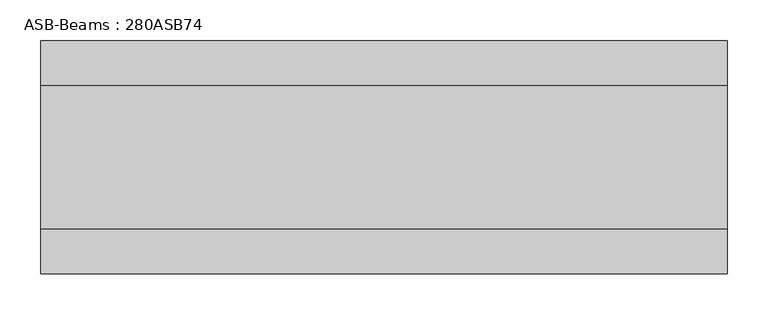
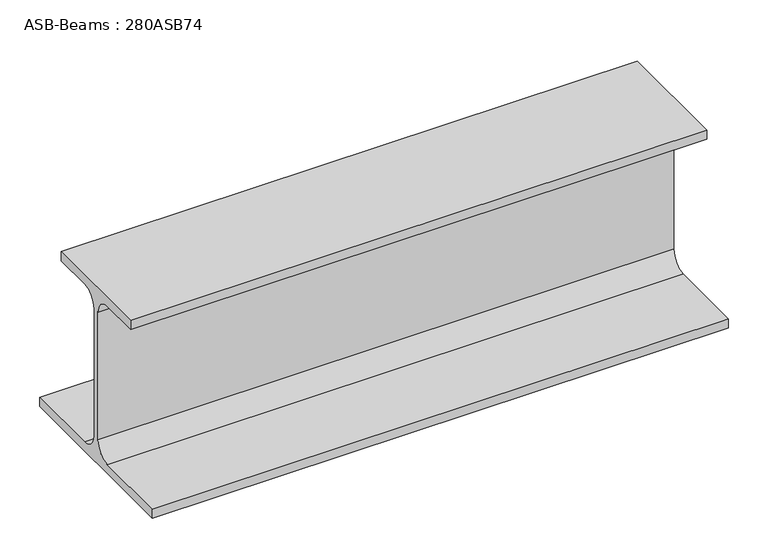
"""IFC4 building model written with IfcOpenShell, lengths in millimetres: beam geometry, ASB-Beams : 280ASB74."""

import ifcopenshell
import ifcopenshell.guid

model = None  # the IFC model being written
_history = None  # IfcOwnerHistory: only IFC2X3 demands one
_inside = {}  # id of a spatial element -> (the spatial element, [elements in it])
_under = {}  # id of a project, library or spatial element -> (it, [spatial elements below it])
_declared = {}  # id of a project -> (the project, [libraries it declares])
_typed = {}  # id of a type object -> (the type object, [elements of that type])
_made_of = {}  # id of a material, layer set ... -> (it, [elements and type objects made of it])


def new_model(schema):
    """Start an empty IFC model of exactly this schema.

    Asked for "IFC4X3", IfcOpenShell would pick the latest addendum, in which some entities
    have other attributes; the version numbers below select the first issue.
    IFC2X3 requires an IfcOwnerHistory on every rooted entity: one is made here for all.
    """
    global model, _history
    if schema == "IFC4X3":
        model = ifcopenshell.file(schema_version=(4, 3, 0, 0))
    else:
        model = ifcopenshell.file(schema=schema)
    _inside.clear()
    _under.clear()
    _declared.clear()
    _typed.clear()
    _made_of.clear()
    _history = None
    if model.schema == "IFC2X3":
        org = make("IfcOrganization", Name="unknown")
        user = make(
            "IfcPersonAndOrganization",
            ThePerson=make("IfcPerson", FamilyName="unknown"),
            TheOrganization=org,
        )
        app = make(
            "IfcApplication",
            ApplicationDeveloper=org,
            Version="unknown",
            ApplicationFullName="unknown",
            ApplicationIdentifier="unknown",
        )
        _history = make(
            "IfcOwnerHistory",
            OwningUser=user,
            OwningApplication=app,
            ChangeAction="ADDED",
            CreationDate=0,
        )
    return model


def make(cls, **values):
    """One entity of the class cls with the attributes given. An attribute that is None is left unset."""
    return model.create_entity(
        cls, **{name: value for name, value in values.items() if value is not None}
    )


def rooted(cls, **values):
    """An entity with a GlobalId (a new one), such as an element, a storey or a relation."""
    return make(cls, GlobalId=ifcopenshell.guid.new(), OwnerHistory=_history, **values)


def si_unit(unit_type, name, prefix=None):
    """IfcSIUnit, for example si_unit("LENGTHUNIT", "METRE", prefix="MILLI")."""
    return make("IfcSIUnit", UnitType=unit_type, Prefix=prefix, Name=name)


def assignment(units):
    """IfcUnitAssignment: the units of a project."""
    return None if units is None else make("IfcUnitAssignment", Units=units)


def point(xyz):
    """IfcCartesianPoint."""
    return None if xyz is None else make("IfcCartesianPoint", Coordinates=xyz)


def direction(xyz):
    """IfcDirection."""
    return None if xyz is None else make("IfcDirection", DirectionRatios=xyz)


def frame(location, z_axis=None, x_axis=None):
    """IfcAxis2Placement3D, a coordinate frame: its origin and axes. An axis left out is left unset."""
    return make(
        "IfcAxis2Placement3D",
        Location=point(location),
        Axis=direction(z_axis),
        RefDirection=direction(x_axis),
    )


def frame_2d(location, x_axis=None):
    """IfcAxis2Placement2D, a coordinate frame in the plane: its origin and x axis."""
    return make(
        "IfcAxis2Placement2D", Location=point(location), RefDirection=direction(x_axis)
    )


def origin():
    """The frame at (0, 0, 0) with its axes left unset."""
    return frame((0.0, 0.0, 0.0))


def place(relative_to, where):
    """IfcLocalPlacement: puts the frame where relative to a parent placement (None: the world)."""
    return make(
        "IfcLocalPlacement", PlacementRelTo=relative_to, RelativePlacement=where
    )


def context(
    kind, dimensions, precision=None, world=None, true_north=None, identifier=None
):
    """IfcGeometricRepresentationContext, for example the 3D "Model" context."""
    return make(
        "IfcGeometricRepresentationContext",
        ContextIdentifier=identifier,
        ContextType=kind,
        CoordinateSpaceDimension=dimensions,
        Precision=precision,
        WorldCoordinateSystem=world,
        TrueNorth=true_north,
    )


def project(units=None, contexts=None):
    """IfcProject with its units and contexts."""
    return rooted(
        "IfcProject",
        Name="project",
        RepresentationContexts=contexts,
        UnitsInContext=assignment(units),
    )


def spatial(cls, under=None, at=None, **own):
    """A site, building, storey or space (cls), placed at a placement, below another one or the project."""
    s = rooted(cls, ObjectPlacement=at, **own)
    if under is not None:
        _under.setdefault(under.id(), (under, []))[1].append(s)
    return s


def polyline(points):
    """IfcPolyline through the points."""
    return make("IfcPolyline", Points=[point(p) for p in points])


def circle_curve(where, radius):
    """IfcCircle in the frame where."""
    return make("IfcCircle", Position=where, Radius=radius)


def trimmed(basis, trim1, trim2, sense, master):
    """IfcTrimmedCurve: the piece of a basis curve between two trims."""
    return make(
        "IfcTrimmedCurve",
        BasisCurve=basis,
        Trim1=trim1,
        Trim2=trim2,
        SenseAgreement=sense,
        MasterRepresentation=master,
    )


def segment(curve, same_sense, transition):
    """IfcCompositeCurveSegment."""
    return make(
        "IfcCompositeCurveSegment",
        Transition=transition,
        SameSense=same_sense,
        ParentCurve=curve,
    )


def composite_curve(segments, self_intersect=None):
    """IfcCompositeCurve: segments joined end to end."""
    return make("IfcCompositeCurve", Segments=segments, SelfIntersect=self_intersect)


def outline(outer, holes=None, kind="AREA"):
    """IfcArbitraryClosedProfileDef: a profile drawn as a closed curve; with holes, ...WithVoids."""
    if holes is None:
        return make("IfcArbitraryClosedProfileDef", ProfileType=kind, OuterCurve=outer)
    return make(
        "IfcArbitraryProfileDefWithVoids",
        ProfileType=kind,
        OuterCurve=outer,
        InnerCurves=holes,
    )


def extrude(swept, where, along, depth):
    """IfcExtrudedAreaSolid: the profile swept, set in the frame where, extruded along a direction by depth."""
    return make(
        "IfcExtrudedAreaSolid",
        SweptArea=swept,
        Position=where,
        ExtrudedDirection=direction(along),
        Depth=depth,
    )


def shape(context_of_items, identifier, shape_type, items):
    """IfcShapeRepresentation: the items that make up one representation, for example the "Body"."""
    return make(
        "IfcShapeRepresentation",
        ContextOfItems=context_of_items,
        RepresentationIdentifier=identifier,
        RepresentationType=shape_type,
        Items=items,
    )


def source(mapping_origin, context_of_items, identifier, shape_type, items):
    """IfcRepresentationMap: a shape defined once, which mapped items show again and again."""
    return make(
        "IfcRepresentationMap",
        MappingOrigin=mapping_origin,
        MappedRepresentation=shape(context_of_items, identifier, shape_type, items),
    )


def transform(
    local_origin,
    x_axis=None,
    y_axis=None,
    z_axis=None,
    scale=None,
    scale2=None,
    scale3=None,
    uniform=True,
):
    """IfcCartesianTransformationOperator3D, or its non-uniform kind. x_axis, y_axis, z_axis: its Axis1, 2, 3."""
    if uniform:
        return make(
            "IfcCartesianTransformationOperator3D",
            Axis1=direction(x_axis),
            Axis2=direction(y_axis),
            LocalOrigin=point(local_origin),
            Scale=scale,
            Axis3=direction(z_axis),
        )
    return make(
        "IfcCartesianTransformationOperator3DnonUniform",
        Axis1=direction(x_axis),
        Axis2=direction(y_axis),
        LocalOrigin=point(local_origin),
        Scale=scale,
        Axis3=direction(z_axis),
        Scale2=scale2,
        Scale3=scale3,
    )


def mapped(mapping_source, mapping_target):
    """IfcMappedItem: shows the shape of a source again, moved by a transform."""
    return make(
        "IfcMappedItem", MappingSource=mapping_source, MappingTarget=mapping_target
    )


def made_of(thing, what):
    """Note that an element or type object is made of a material, layer set ...; save() writes the relation."""
    if what is not None:
        _made_of.setdefault(what.id(), (what, []))[1].append(thing)
    return thing


def element(
    cls,
    number,
    at=None,
    inside=None,
    cuts=None,
    type_object=None,
    material=None,
    context=None,
    identifier="Body",
    shape_type=None,
    held_by="IfcProductDefinitionShape",
    body=None,
    shapes=None,
    **own,
):
    """One element of the class cls, such as IfcWall. Its Tag is "e" and its number.

    at: its placement. inside: the storey or other place that contains it. cuts: it is an
    opening in that element (IfcRelVoidsElement). A single representation is given by context,
    identifier, shape_type and body (its items); several are given by shapes. held_by: the class
    of the entity that holds the representations. save() writes the other relations.
    """
    e = rooted(cls, Tag="e%d" % number, ObjectPlacement=at, **own)
    if body is not None:
        shapes = [shape(context, identifier, shape_type, body)]
    if shapes is not None:
        e.Representation = make(held_by, Representations=shapes)
    if inside is not None:
        _inside.setdefault(inside.id(), (inside, []))[1].append(e)
    if cuts is not None:
        rooted(
            "IfcRelVoidsElement", RelatingBuildingElement=cuts, RelatedOpeningElement=e
        )
    if type_object is not None:
        _typed.setdefault(type_object.id(), (type_object, []))[1].append(e)
    return made_of(e, material)


def aggregate(whole, parts):
    """IfcRelAggregates: a whole, such as a stair, and the parts it consists of."""
    return rooted("IfcRelAggregates", RelatingObject=whole, RelatedObjects=parts)


def save(model, path):
    """Write the relations noted so far, then the file.

    IfcRelAggregates (storeys below a building ...), IfcRelContainedInSpatialStructure (elements
    in a storey), IfcRelDefinesByType, IfcRelAssociatesMaterial and IfcRelDeclares: one each for
    every whole, place, type object, material and project.
    """
    for whole, parts in _under.values():
        aggregate(whole, parts)
    for where, things in _inside.values():
        rooted(
            "IfcRelContainedInSpatialStructure",
            RelatedElements=things,
            RelatingStructure=where,
        )
    for kind, things in _typed.values():
        rooted("IfcRelDefinesByType", RelatedObjects=things, RelatingType=kind)
    for what, things in _made_of.values():
        rooted("IfcRelAssociatesMaterial", RelatedObjects=things, RelatingMaterial=what)
    for by, libraries in _declared.values():
        rooted("IfcRelDeclares", RelatingContext=by, RelatedDefinitions=libraries)
    model.write(path)


def asb_beams_280asb74_ff071a6d(model_context):
    return source(origin(), model_context, "Body", "SweptSolid", [
        extrude(outline(composite_curve([segment(polyline([(87.5, 157.0), (87.5, 143.0), (29.0, 143.0)]), True, "CONTINUOUS"), segment(trimmed(circle_curve(frame_2d((29.0, 119.0)), 24.0), [point((29.0, 143.0))], [point((5.0, 119.0))], True, "CARTESIAN"), True, "CONTINUOUS"), segment(polyline([(5.0, 119.0), (5.0, -77.0)]), True, "CONTINUOUS"), segment(trimmed(circle_curve(frame_2d((29.0, -77.0)), 24.0), [point((5.0, -77.0))], [point((29.0, -101.0))], True, "CARTESIAN"), True, "CONTINUOUS"), segment(polyline([(29.0, -101.0), (142.5, -101.0), (142.5, -115.0), (-142.5, -115.0), (-142.5, -101.0), (-29.0, -101.0)]), True, "CONTINUOUS"), segment(trimmed(circle_curve(frame_2d((-29.0, -77.0)), 24.0), [point((-29.0, -101.0))], [point((-5.0, -77.0))], True, "CARTESIAN"), True, "CONTINUOUS"), segment(polyline([(-5.0, -77.0), (-5.0, 119.0)]), True, "CONTINUOUS"), segment(trimmed(circle_curve(frame_2d((-29.0, 119.0)), 24.0), [point((-5.0, 119.0))], [point((-29.0, 143.0))], True, "CARTESIAN"), True, "CONTINUOUS"), segment(polyline([(-29.0, 143.0), (-87.5, 143.0), (-87.5, 157.0), (87.5, 157.0)]), True, "CONTINUOUS")], self_intersect=False)), frame((-420.0, 0.0, 0.0), z_axis=(1.0, 0.0, 0.0), x_axis=(0.0, 1.0, 0.0)), (0.0, 0.0, 1.0), 840.0),
    ])


if __name__ == "__main__":
    model = new_model("IFC4")
    model_context = context("Model", 3, world=origin())
    ifc_project = project(units=[si_unit("LENGTHUNIT", "METRE", prefix="MILLI")], contexts=[model_context])
    site = spatial("IfcSite", under=ifc_project)
    building = spatial("IfcBuilding", under=site)
    placement = place(None, origin())
    asb_beams_280asb74_shape = asb_beams_280asb74_ff071a6d(model_context)
    element("IfcBeam", 1, ObjectType="ASB-Beams : 280ASB74", at=placement, inside=building, context=model_context, shape_type="MappedRepresentation", body=[
        mapped(asb_beams_280asb74_shape, transform((0.0, 0.0, 0.0), x_axis=(1.0, 0.0, 0.0), y_axis=(0.0, 1.0, 0.0), z_axis=(0.0, 0.0, 1.0))),
    ])
    save(model, "model.ifc")
